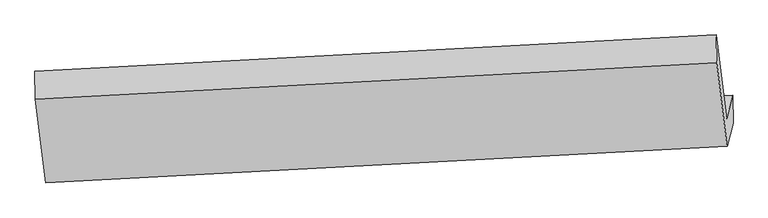
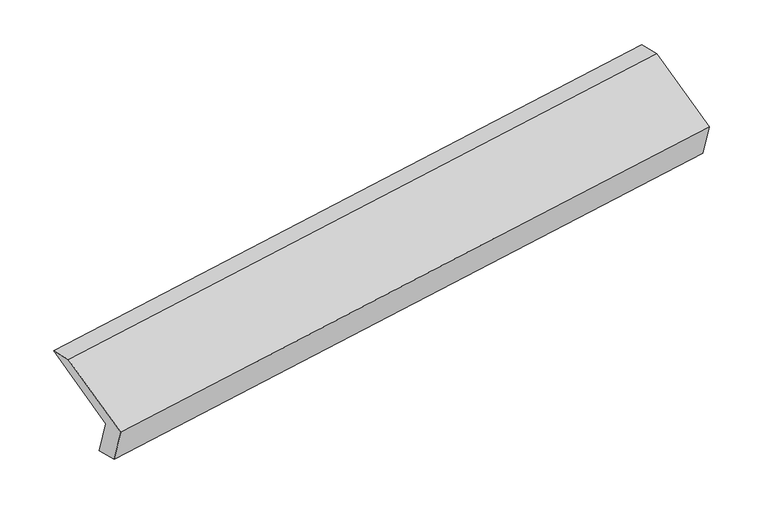
"""IFC4 building model written with IfcOpenShell, lengths in millimetres: proxy geometry."""

import ifcopenshell
import ifcopenshell.guid

model = None  # the IFC model being written
_history = None  # IfcOwnerHistory: only IFC2X3 demands one
_inside = {}  # id of a spatial element -> (the spatial element, [elements in it])
_under = {}  # id of a project, library or spatial element -> (it, [spatial elements below it])
_declared = {}  # id of a project -> (the project, [libraries it declares])
_typed = {}  # id of a type object -> (the type object, [elements of that type])
_made_of = {}  # id of a material, layer set ... -> (it, [elements and type objects made of it])


def new_model(schema):
    """Start an empty IFC model of exactly this schema.

    Asked for "IFC4X3", IfcOpenShell would pick the latest addendum, in which some entities
    have other attributes; the version numbers below select the first issue.
    IFC2X3 requires an IfcOwnerHistory on every rooted entity: one is made here for all.
    """
    global model, _history
    if schema == "IFC4X3":
        model = ifcopenshell.file(schema_version=(4, 3, 0, 0))
    else:
        model = ifcopenshell.file(schema=schema)
    _inside.clear()
    _under.clear()
    _declared.clear()
    _typed.clear()
    _made_of.clear()
    _history = None
    if model.schema == "IFC2X3":
        org = make("IfcOrganization", Name="unknown")
        user = make(
            "IfcPersonAndOrganization",
            ThePerson=make("IfcPerson", FamilyName="unknown"),
            TheOrganization=org,
        )
        app = make(
            "IfcApplication",
            ApplicationDeveloper=org,
            Version="unknown",
            ApplicationFullName="unknown",
            ApplicationIdentifier="unknown",
        )
        _history = make(
            "IfcOwnerHistory",
            OwningUser=user,
            OwningApplication=app,
            ChangeAction="ADDED",
            CreationDate=0,
        )
    return model


def make(cls, **values):
    """One entity of the class cls with the attributes given. An attribute that is None is left unset."""
    return model.create_entity(
        cls, **{name: value for name, value in values.items() if value is not None}
    )


def rooted(cls, **values):
    """An entity with a GlobalId (a new one), such as an element, a storey or a relation."""
    return make(cls, GlobalId=ifcopenshell.guid.new(), OwnerHistory=_history, **values)


def si_unit(unit_type, name, prefix=None):
    """IfcSIUnit, for example si_unit("LENGTHUNIT", "METRE", prefix="MILLI")."""
    return make("IfcSIUnit", UnitType=unit_type, Prefix=prefix, Name=name)


def assignment(units):
    """IfcUnitAssignment: the units of a project."""
    return None if units is None else make("IfcUnitAssignment", Units=units)


def point(xyz):
    """IfcCartesianPoint."""
    return None if xyz is None else make("IfcCartesianPoint", Coordinates=xyz)


def direction(xyz):
    """IfcDirection."""
    return None if xyz is None else make("IfcDirection", DirectionRatios=xyz)


def frame(location, z_axis=None, x_axis=None):
    """IfcAxis2Placement3D, a coordinate frame: its origin and axes. An axis left out is left unset."""
    return make(
        "IfcAxis2Placement3D",
        Location=point(location),
        Axis=direction(z_axis),
        RefDirection=direction(x_axis),
    )


def origin():
    """The frame at (0, 0, 0) with its axes left unset."""
    return frame((0.0, 0.0, 0.0))


def place(relative_to, where):
    """IfcLocalPlacement: puts the frame where relative to a parent placement (None: the world)."""
    return make(
        "IfcLocalPlacement", PlacementRelTo=relative_to, RelativePlacement=where
    )


def context(
    kind, dimensions, precision=None, world=None, true_north=None, identifier=None
):
    """IfcGeometricRepresentationContext, for example the 3D "Model" context."""
    return make(
        "IfcGeometricRepresentationContext",
        ContextIdentifier=identifier,
        ContextType=kind,
        CoordinateSpaceDimension=dimensions,
        Precision=precision,
        WorldCoordinateSystem=world,
        TrueNorth=true_north,
    )


def project(units=None, contexts=None):
    """IfcProject with its units and contexts."""
    return rooted(
        "IfcProject",
        Name="project",
        RepresentationContexts=contexts,
        UnitsInContext=assignment(units),
    )


def spatial(cls, under=None, at=None, **own):
    """A site, building, storey or space (cls), placed at a placement, below another one or the project."""
    s = rooted(cls, ObjectPlacement=at, **own)
    if under is not None:
        _under.setdefault(under.id(), (under, []))[1].append(s)
    return s


def polyline(points):
    """IfcPolyline through the points."""
    return make("IfcPolyline", Points=[point(p) for p in points])


def outline(outer, holes=None, kind="AREA"):
    """IfcArbitraryClosedProfileDef: a profile drawn as a closed curve; with holes, ...WithVoids."""
    if holes is None:
        return make("IfcArbitraryClosedProfileDef", ProfileType=kind, OuterCurve=outer)
    return make(
        "IfcArbitraryProfileDefWithVoids",
        ProfileType=kind,
        OuterCurve=outer,
        InnerCurves=holes,
    )


def extrude(swept, where, along, depth):
    """IfcExtrudedAreaSolid: the profile swept, set in the frame where, extruded along a direction by depth."""
    return make(
        "IfcExtrudedAreaSolid",
        SweptArea=swept,
        Position=where,
        ExtrudedDirection=direction(along),
        Depth=depth,
    )


def shape(context_of_items, identifier, shape_type, items):
    """IfcShapeRepresentation: the items that make up one representation, for example the "Body"."""
    return make(
        "IfcShapeRepresentation",
        ContextOfItems=context_of_items,
        RepresentationIdentifier=identifier,
        RepresentationType=shape_type,
        Items=items,
    )


def source(mapping_origin, context_of_items, identifier, shape_type, items):
    """IfcRepresentationMap: a shape defined once, which mapped items show again and again."""
    return make(
        "IfcRepresentationMap",
        MappingOrigin=mapping_origin,
        MappedRepresentation=shape(context_of_items, identifier, shape_type, items),
    )


def transform(
    local_origin,
    x_axis=None,
    y_axis=None,
    z_axis=None,
    scale=None,
    scale2=None,
    scale3=None,
    uniform=True,
):
    """IfcCartesianTransformationOperator3D, or its non-uniform kind. x_axis, y_axis, z_axis: its Axis1, 2, 3."""
    if uniform:
        return make(
            "IfcCartesianTransformationOperator3D",
            Axis1=direction(x_axis),
            Axis2=direction(y_axis),
            LocalOrigin=point(local_origin),
            Scale=scale,
            Axis3=direction(z_axis),
        )
    return make(
        "IfcCartesianTransformationOperator3DnonUniform",
        Axis1=direction(x_axis),
        Axis2=direction(y_axis),
        LocalOrigin=point(local_origin),
        Scale=scale,
        Axis3=direction(z_axis),
        Scale2=scale2,
        Scale3=scale3,
    )


def mapped(mapping_source, mapping_target):
    """IfcMappedItem: shows the shape of a source again, moved by a transform."""
    return make(
        "IfcMappedItem", MappingSource=mapping_source, MappingTarget=mapping_target
    )


def made_of(thing, what):
    """Note that an element or type object is made of a material, layer set ...; save() writes the relation."""
    if what is not None:
        _made_of.setdefault(what.id(), (what, []))[1].append(thing)
    return thing


def element(
    cls,
    number,
    at=None,
    inside=None,
    cuts=None,
    type_object=None,
    material=None,
    context=None,
    identifier="Body",
    shape_type=None,
    held_by="IfcProductDefinitionShape",
    body=None,
    shapes=None,
    **own,
):
    """One element of the class cls, such as IfcWall. Its Tag is "e" and its number.

    at: its placement. inside: the storey or other place that contains it. cuts: it is an
    opening in that element (IfcRelVoidsElement). A single representation is given by context,
    identifier, shape_type and body (its items); several are given by shapes. held_by: the class
    of the entity that holds the representations. save() writes the other relations.
    """
    e = rooted(cls, Tag="e%d" % number, ObjectPlacement=at, **own)
    if body is not None:
        shapes = [shape(context, identifier, shape_type, body)]
    if shapes is not None:
        e.Representation = make(held_by, Representations=shapes)
    if inside is not None:
        _inside.setdefault(inside.id(), (inside, []))[1].append(e)
    if cuts is not None:
        rooted(
            "IfcRelVoidsElement", RelatingBuildingElement=cuts, RelatedOpeningElement=e
        )
    if type_object is not None:
        _typed.setdefault(type_object.id(), (type_object, []))[1].append(e)
    return made_of(e, material)


def aggregate(whole, parts):
    """IfcRelAggregates: a whole, such as a stair, and the parts it consists of."""
    return rooted("IfcRelAggregates", RelatingObject=whole, RelatedObjects=parts)


def save(model, path):
    """Write the relations noted so far, then the file.

    IfcRelAggregates (storeys below a building ...), IfcRelContainedInSpatialStructure (elements
    in a storey), IfcRelDefinesByType, IfcRelAssociatesMaterial and IfcRelDeclares: one each for
    every whole, place, type object, material and project.
    """
    for whole, parts in _under.values():
        aggregate(whole, parts)
    for where, things in _inside.values():
        rooted(
            "IfcRelContainedInSpatialStructure",
            RelatedElements=things,
            RelatingStructure=where,
        )
    for kind, things in _typed.values():
        rooted("IfcRelDefinesByType", RelatedObjects=things, RelatingType=kind)
    for what, things in _made_of.values():
        rooted("IfcRelAssociatesMaterial", RelatedObjects=things, RelatingMaterial=what)
    for by, libraries in _declared.values():
        rooted("IfcRelDeclares", RelatingContext=by, RelatedDefinitions=libraries)
    model.write(path)


def generic_models_1a1a6bc5(model_context):
    return source(origin(), model_context, "Body", "SweptSolid", [
        extrude(outline(polyline([(-68.3365285, -143.9504967), (330.6385, -143.9504968), (194.6615379, -308.1457241), (-194.3134906, -308.1457241), (-194.3134906, 369.9986073), (-68.3365285, 534.1938347), (-68.3365285, -143.9504967)])), frame((-5344.899454, -1638.7213973, 1554.0997651), z_axis=(0.9875243134293834, 0.052877691057840556, 0.14832289160549955), x_axis=(0.1114362335574382, 0.43082818757061264, -0.8955272405935808)), (0.0, 0.0, 1.0), 5030.5195664),
    ])


if __name__ == "__main__":
    model = new_model("IFC4")
    model_context = context("Model", 3, world=origin())
    ifc_project = project(units=[si_unit("LENGTHUNIT", "METRE", prefix="MILLI")], contexts=[model_context])
    site = spatial("IfcSite", under=ifc_project)
    building = spatial("IfcBuilding", under=site)
    placement = place(None, origin())
    generic_models_shape = generic_models_1a1a6bc5(model_context)
    element("IfcBuildingElementProxy", 1, Name="Generic Models", at=placement, inside=building, context=model_context, shape_type="MappedRepresentation", body=[
        mapped(generic_models_shape, transform((0.0, 0.0, 0.0), x_axis=(1.0, 0.0, 0.0), y_axis=(0.0, 1.0, 0.0), z_axis=(0.0, 0.0, 1.0))),
    ])
    save(model, "model.ifc")
